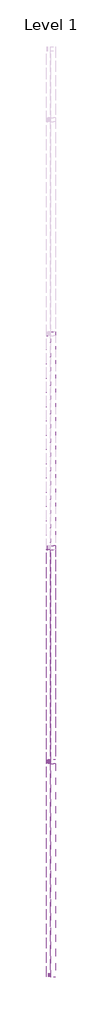
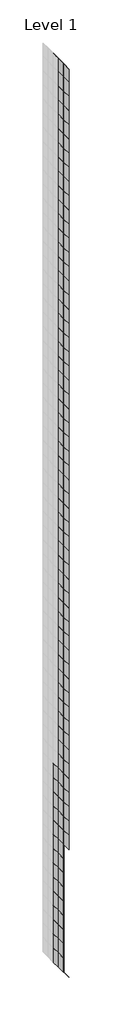
# One storey, part 17 of 29: 133 plates, 4 members.
"""IFC4 building model written with IfcOpenShell, lengths in millimetres."""

import ifcopenshell
import ifcopenshell.guid

model = None  # the IFC model being written
_history = None  # IfcOwnerHistory: only IFC2X3 demands one
_inside = {}  # id of a spatial element -> (the spatial element, [elements in it])
_under = {}  # id of a project, library or spatial element -> (it, [spatial elements below it])
_declared = {}  # id of a project -> (the project, [libraries it declares])
_typed = {}  # id of a type object -> (the type object, [elements of that type])
_made_of = {}  # id of a material, layer set ... -> (it, [elements and type objects made of it])


def new_model(schema):
    """Start an empty IFC model of exactly this schema.

    Asked for "IFC4X3", IfcOpenShell would pick the latest addendum, in which some entities
    have other attributes; the version numbers below select the first issue.
    IFC2X3 requires an IfcOwnerHistory on every rooted entity: one is made here for all.
    """
    global model, _history
    if schema == "IFC4X3":
        model = ifcopenshell.file(schema_version=(4, 3, 0, 0))
    else:
        model = ifcopenshell.file(schema=schema)
    _inside.clear()
    _under.clear()
    _declared.clear()
    _typed.clear()
    _made_of.clear()
    _history = None
    if model.schema == "IFC2X3":
        org = make("IfcOrganization", Name="unknown")
        user = make(
            "IfcPersonAndOrganization",
            ThePerson=make("IfcPerson", FamilyName="unknown"),
            TheOrganization=org,
        )
        app = make(
            "IfcApplication",
            ApplicationDeveloper=org,
            Version="unknown",
            ApplicationFullName="unknown",
            ApplicationIdentifier="unknown",
        )
        _history = make(
            "IfcOwnerHistory",
            OwningUser=user,
            OwningApplication=app,
            ChangeAction="ADDED",
            CreationDate=0,
        )
    return model


def make(cls, **values):
    """One entity of the class cls with the attributes given. An attribute that is None is left unset."""
    return model.create_entity(
        cls, **{name: value for name, value in values.items() if value is not None}
    )


def rooted(cls, **values):
    """An entity with a GlobalId (a new one), such as an element, a storey or a relation."""
    return make(cls, GlobalId=ifcopenshell.guid.new(), OwnerHistory=_history, **values)


def si_unit(unit_type, name, prefix=None):
    """IfcSIUnit, for example si_unit("LENGTHUNIT", "METRE", prefix="MILLI")."""
    return make("IfcSIUnit", UnitType=unit_type, Prefix=prefix, Name=name)


def assignment(units):
    """IfcUnitAssignment: the units of a project."""
    return None if units is None else make("IfcUnitAssignment", Units=units)


def point(xyz):
    """IfcCartesianPoint."""
    return None if xyz is None else make("IfcCartesianPoint", Coordinates=xyz)


def direction(xyz):
    """IfcDirection."""
    return None if xyz is None else make("IfcDirection", DirectionRatios=xyz)


def frame(location, z_axis=None, x_axis=None):
    """IfcAxis2Placement3D, a coordinate frame: its origin and axes. An axis left out is left unset."""
    return make(
        "IfcAxis2Placement3D",
        Location=point(location),
        Axis=direction(z_axis),
        RefDirection=direction(x_axis),
    )


def origin():
    """The frame at (0, 0, 0) with its axes left unset."""
    return frame((0.0, 0.0, 0.0))


def origin_with_axes():
    """The frame at (0, 0, 0) with the z axis (0, 0, 1) and the x axis (1, 0, 0) written out."""
    return frame((0.0, 0.0, 0.0), z_axis=(0.0, 0.0, 1.0), x_axis=(1.0, 0.0, 0.0))


def place(relative_to, where):
    """IfcLocalPlacement: puts the frame where relative to a parent placement (None: the world)."""
    return make(
        "IfcLocalPlacement", PlacementRelTo=relative_to, RelativePlacement=where
    )


def context(
    kind, dimensions, precision=None, world=None, true_north=None, identifier=None
):
    """IfcGeometricRepresentationContext, for example the 3D "Model" context."""
    return make(
        "IfcGeometricRepresentationContext",
        ContextIdentifier=identifier,
        ContextType=kind,
        CoordinateSpaceDimension=dimensions,
        Precision=precision,
        WorldCoordinateSystem=world,
        TrueNorth=true_north,
    )


def project(units=None, contexts=None):
    """IfcProject with its units and contexts."""
    return rooted(
        "IfcProject",
        Name="project",
        RepresentationContexts=contexts,
        UnitsInContext=assignment(units),
    )


def spatial(cls, under=None, at=None, **own):
    """A site, building, storey or space (cls), placed at a placement, below another one or the project."""
    s = rooted(cls, ObjectPlacement=at, **own)
    if under is not None:
        _under.setdefault(under.id(), (under, []))[1].append(s)
    return s


def polyline(points):
    """IfcPolyline through the points."""
    return make("IfcPolyline", Points=[point(p) for p in points])


def outline(outer, holes=None, kind="AREA"):
    """IfcArbitraryClosedProfileDef: a profile drawn as a closed curve; with holes, ...WithVoids."""
    if holes is None:
        return make("IfcArbitraryClosedProfileDef", ProfileType=kind, OuterCurve=outer)
    return make(
        "IfcArbitraryProfileDefWithVoids",
        ProfileType=kind,
        OuterCurve=outer,
        InnerCurves=holes,
    )


def extrude(swept, where, along, depth):
    """IfcExtrudedAreaSolid: the profile swept, set in the frame where, extruded along a direction by depth."""
    return make(
        "IfcExtrudedAreaSolid",
        SweptArea=swept,
        Position=where,
        ExtrudedDirection=direction(along),
        Depth=depth,
    )


def shape(context_of_items, identifier, shape_type, items):
    """IfcShapeRepresentation: the items that make up one representation, for example the "Body"."""
    return make(
        "IfcShapeRepresentation",
        ContextOfItems=context_of_items,
        RepresentationIdentifier=identifier,
        RepresentationType=shape_type,
        Items=items,
    )


def source(mapping_origin, context_of_items, identifier, shape_type, items):
    """IfcRepresentationMap: a shape defined once, which mapped items show again and again."""
    return make(
        "IfcRepresentationMap",
        MappingOrigin=mapping_origin,
        MappedRepresentation=shape(context_of_items, identifier, shape_type, items),
    )


def transform(
    local_origin,
    x_axis=None,
    y_axis=None,
    z_axis=None,
    scale=None,
    scale2=None,
    scale3=None,
    uniform=True,
):
    """IfcCartesianTransformationOperator3D, or its non-uniform kind. x_axis, y_axis, z_axis: its Axis1, 2, 3."""
    if uniform:
        return make(
            "IfcCartesianTransformationOperator3D",
            Axis1=direction(x_axis),
            Axis2=direction(y_axis),
            LocalOrigin=point(local_origin),
            Scale=scale,
            Axis3=direction(z_axis),
        )
    return make(
        "IfcCartesianTransformationOperator3DnonUniform",
        Axis1=direction(x_axis),
        Axis2=direction(y_axis),
        LocalOrigin=point(local_origin),
        Scale=scale,
        Axis3=direction(z_axis),
        Scale2=scale2,
        Scale3=scale3,
    )


def mapped(mapping_source, mapping_target):
    """IfcMappedItem: shows the shape of a source again, moved by a transform."""
    return make(
        "IfcMappedItem", MappingSource=mapping_source, MappingTarget=mapping_target
    )


def made_of(thing, what):
    """Note that an element or type object is made of a material, layer set ...; save() writes the relation."""
    if what is not None:
        _made_of.setdefault(what.id(), (what, []))[1].append(thing)
    return thing


def element(
    cls,
    number,
    at=None,
    inside=None,
    cuts=None,
    type_object=None,
    material=None,
    context=None,
    identifier="Body",
    shape_type=None,
    held_by="IfcProductDefinitionShape",
    body=None,
    shapes=None,
    **own,
):
    """One element of the class cls, such as IfcWall. Its Tag is "e" and its number.

    at: its placement. inside: the storey or other place that contains it. cuts: it is an
    opening in that element (IfcRelVoidsElement). A single representation is given by context,
    identifier, shape_type and body (its items); several are given by shapes. held_by: the class
    of the entity that holds the representations. save() writes the other relations.
    """
    e = rooted(cls, Tag="e%d" % number, ObjectPlacement=at, **own)
    if body is not None:
        shapes = [shape(context, identifier, shape_type, body)]
    if shapes is not None:
        e.Representation = make(held_by, Representations=shapes)
    if inside is not None:
        _inside.setdefault(inside.id(), (inside, []))[1].append(e)
    if cuts is not None:
        rooted(
            "IfcRelVoidsElement", RelatingBuildingElement=cuts, RelatedOpeningElement=e
        )
    if type_object is not None:
        _typed.setdefault(type_object.id(), (type_object, []))[1].append(e)
    return made_of(e, material)


def aggregate(whole, parts):
    """IfcRelAggregates: a whole, such as a stair, and the parts it consists of."""
    return rooted("IfcRelAggregates", RelatingObject=whole, RelatedObjects=parts)


def save(model, path):
    """Write the relations noted so far, then the file.

    IfcRelAggregates (storeys below a building ...), IfcRelContainedInSpatialStructure (elements
    in a storey), IfcRelDefinesByType, IfcRelAssociatesMaterial and IfcRelDeclares: one each for
    every whole, place, type object, material and project.
    """
    for whole, parts in _under.values():
        aggregate(whole, parts)
    for where, things in _inside.values():
        rooted(
            "IfcRelContainedInSpatialStructure",
            RelatedElements=things,
            RelatingStructure=where,
        )
    for kind, things in _typed.values():
        rooted("IfcRelDefinesByType", RelatedObjects=things, RelatingType=kind)
    for what, things in _made_of.values():
        rooted("IfcRelAssociatesMaterial", RelatedObjects=things, RelatingMaterial=what)
    for by, libraries in _declared.values():
        rooted("IfcRelDeclares", RelatingContext=by, RelatedDefinitions=libraries)
    model.write(path)


def rectangular_mullion_30mm_square_0448d2ee(model_context):
    return source(origin(), model_context, "Body", "SweptSolid", [
        extrude(outline(polyline([(0.0, 15.0), (0.0, -15.0), (-30.0, -15.0), (-30.0, 15.0), (0.0, 15.0)])), frame((0.0, 0.0, -1500.0), z_axis=(0.0, 0.0, 1.0), x_axis=(1.0, 0.0, 0.0)), (0.0, 0.0, 1.0), 1500.0),
    ])


def system_panel_glazed_328a1fc4(model_context):
    return source(origin(), model_context, "Body", "SweptSolid", [
        extrude(outline(polyline([(750.0, -49.5), (-750.0, -49.5), (-750.0, -24.5), (750.0, -24.5), (750.0, -49.5)])), origin_with_axes(), (0.0, 0.0, 1.0), 2500.0),
    ])


def system_panel_glazed_00ce7913(model_context):
    return source(origin(), model_context, "Body", "SweptSolid", [
        extrude(outline(polyline([(750.0, -49.5), (-750.0, -49.5), (-750.0, -24.5), (750.0, -24.5), (750.0, -49.5)])), origin_with_axes(), (0.0, 0.0, 1.0), 2300.0),
    ])


model = new_model("IFC4")

# Units and contexts
model_context = context("Model", 3, world=origin())
ifc_project = project(units=[si_unit("LENGTHUNIT", "METRE", prefix="MILLI")], contexts=[model_context])

# Site, building, storey
site = spatial("IfcSite", under=ifc_project)
building = spatial("IfcBuilding", under=site)
storey = spatial("IfcBuildingStorey", under=building, Name="Level 1", Elevation=0.0)

# Members
placement = place(None, origin())
rectangular_mullion_30mm_square_shape = rectangular_mullion_30mm_square_0448d2ee(model_context)
element("IfcMember", 1, ObjectType="Rectangular Mullion : 30mm Square", at=placement, inside=storey, context=model_context, shape_type="MappedRepresentation", body=[
    mapped(rectangular_mullion_30mm_square_shape, transform((-32220.0048524, 9053.1129705, 300200.0), x_axis=(0.0, 0.0, 1.0), y_axis=(-1.0, 0.0, 0.0), z_axis=(0.0, -1.0, 0.0))),
])
element("IfcMember", 2, ObjectType="Rectangular Mullion : 30mm Square", at=placement, inside=storey, context=model_context, shape_type="MappedRepresentation", body=[
    mapped(rectangular_mullion_30mm_square_shape, transform((-32220.0048524, 10553.1129705, 300200.0), x_axis=(0.0, 0.0, 1.0), y_axis=(-1.0, 0.0, 0.0), z_axis=(0.0, -1.0, 0.0))),
])
element("IfcMember", 3, ObjectType="Rectangular Mullion : 30mm Square", at=placement, inside=storey, context=model_context, shape_type="MappedRepresentation", body=[
    mapped(rectangular_mullion_30mm_square_shape, transform((-32220.0048524, 9053.1129705, 140400.0), x_axis=(0.0, 0.0, -1.0), y_axis=(-1.0, 0.0, 0.0), z_axis=(0.0, 1.0, 0.0))),
])
element("IfcMember", 4, ObjectType="Rectangular Mullion : 30mm Square", at=placement, inside=storey, context=model_context, shape_type="MappedRepresentation", body=[
    mapped(rectangular_mullion_30mm_square_shape, transform((-32220.0048524, 10553.1129705, 140400.0), x_axis=(0.0, 0.0, -1.0), y_axis=(-1.0, 0.0, 0.0), z_axis=(0.0, 1.0, 0.0))),
])

# Plates
system_panel_glazed_shape = system_panel_glazed_328a1fc4(model_context)
element("IfcPlate", 5, ObjectType="System Panel : Glazed", at=placement, inside=storey, context=model_context, shape_type="MappedRepresentation", body=[
    mapped(system_panel_glazed_shape, transform((-32220.0048524, 8303.1129705, 162900.0), x_axis=(0.0, -1.0, 0.0), y_axis=(1.0, 0.0, 0.0), z_axis=(0.0, 0.0, 1.0))),
])
element("IfcPlate", 6, ObjectType="System Panel : Glazed", at=placement, inside=storey, context=model_context, shape_type="MappedRepresentation", body=[
    mapped(system_panel_glazed_shape, transform((-32220.0048524, 8303.1129705, 165400.0), x_axis=(0.0, -1.0, 0.0), y_axis=(1.0, 0.0, 0.0), z_axis=(0.0, 0.0, 1.0))),
])
element("IfcPlate", 7, ObjectType="System Panel : Glazed", at=placement, inside=storey, context=model_context, shape_type="MappedRepresentation", body=[
    mapped(system_panel_glazed_shape, transform((-32220.0048524, 8303.1129705, 167900.0), x_axis=(0.0, -1.0, 0.0), y_axis=(1.0, 0.0, 0.0), z_axis=(0.0, 0.0, 1.0))),
])
element("IfcPlate", 8, ObjectType="System Panel : Glazed", at=placement, inside=storey, context=model_context, shape_type="MappedRepresentation", body=[
    mapped(system_panel_glazed_shape, transform((-32220.0048524, 8303.1129705, 170400.0), x_axis=(0.0, -1.0, 0.0), y_axis=(1.0, 0.0, 0.0), z_axis=(0.0, 0.0, 1.0))),
])
element("IfcPlate", 9, ObjectType="System Panel : Glazed", at=placement, inside=storey, context=model_context, shape_type="MappedRepresentation", body=[
    mapped(system_panel_glazed_shape, transform((-32220.0048524, 8303.1129705, 172900.0), x_axis=(0.0, -1.0, 0.0), y_axis=(1.0, 0.0, 0.0), z_axis=(0.0, 0.0, 1.0))),
])
element("IfcPlate", 10, ObjectType="System Panel : Glazed", at=placement, inside=storey, context=model_context, shape_type="MappedRepresentation", body=[
    mapped(system_panel_glazed_shape, transform((-32220.0048524, 8303.1129705, 175400.0), x_axis=(0.0, -1.0, 0.0), y_axis=(1.0, 0.0, 0.0), z_axis=(0.0, 0.0, 1.0))),
])
element("IfcPlate", 11, ObjectType="System Panel : Glazed", at=placement, inside=storey, context=model_context, shape_type="MappedRepresentation", body=[
    mapped(system_panel_glazed_shape, transform((-32220.0048524, 8303.1129705, 177900.0), x_axis=(0.0, -1.0, 0.0), y_axis=(1.0, 0.0, 0.0), z_axis=(0.0, 0.0, 1.0))),
])
element("IfcPlate", 12, ObjectType="System Panel : Glazed", at=placement, inside=storey, context=model_context, shape_type="MappedRepresentation", body=[
    mapped(system_panel_glazed_shape, transform((-32220.0048524, 8303.1129705, 180400.0), x_axis=(0.0, -1.0, 0.0), y_axis=(1.0, 0.0, 0.0), z_axis=(0.0, 0.0, 1.0))),
])
element("IfcPlate", 13, ObjectType="System Panel : Glazed", at=placement, inside=storey, context=model_context, shape_type="MappedRepresentation", body=[
    mapped(system_panel_glazed_shape, transform((-32220.0048524, 8303.1129705, 182900.0), x_axis=(0.0, -1.0, 0.0), y_axis=(1.0, 0.0, 0.0), z_axis=(0.0, 0.0, 1.0))),
])
element("IfcPlate", 14, ObjectType="System Panel : Glazed", at=placement, inside=storey, context=model_context, shape_type="MappedRepresentation", body=[
    mapped(system_panel_glazed_shape, transform((-32220.0048524, 8303.1129705, 185400.0), x_axis=(0.0, -1.0, 0.0), y_axis=(1.0, 0.0, 0.0), z_axis=(0.0, 0.0, 1.0))),
])
element("IfcPlate", 15, ObjectType="System Panel : Glazed", at=placement, inside=storey, context=model_context, shape_type="MappedRepresentation", body=[
    mapped(system_panel_glazed_shape, transform((-32220.0048524, 8303.1129705, 187900.0), x_axis=(0.0, -1.0, 0.0), y_axis=(1.0, 0.0, 0.0), z_axis=(0.0, 0.0, 1.0))),
])
element("IfcPlate", 16, ObjectType="System Panel : Glazed", at=placement, inside=storey, context=model_context, shape_type="MappedRepresentation", body=[
    mapped(system_panel_glazed_shape, transform((-32220.0048524, 8303.1129705, 190400.0), x_axis=(0.0, -1.0, 0.0), y_axis=(1.0, 0.0, 0.0), z_axis=(0.0, 0.0, 1.0))),
])
element("IfcPlate", 17, ObjectType="System Panel : Glazed", at=placement, inside=storey, context=model_context, shape_type="MappedRepresentation", body=[
    mapped(system_panel_glazed_shape, transform((-32220.0048524, 8303.1129705, 192900.0), x_axis=(0.0, -1.0, 0.0), y_axis=(1.0, 0.0, 0.0), z_axis=(0.0, 0.0, 1.0))),
])
element("IfcPlate", 18, ObjectType="System Panel : Glazed", at=placement, inside=storey, context=model_context, shape_type="MappedRepresentation", body=[
    mapped(system_panel_glazed_shape, transform((-32220.0048524, 8303.1129705, 195400.0), x_axis=(0.0, -1.0, 0.0), y_axis=(1.0, 0.0, 0.0), z_axis=(0.0, 0.0, 1.0))),
])
element("IfcPlate", 19, ObjectType="System Panel : Glazed", at=placement, inside=storey, context=model_context, shape_type="MappedRepresentation", body=[
    mapped(system_panel_glazed_shape, transform((-32220.0048524, 8303.1129705, 197900.0), x_axis=(0.0, -1.0, 0.0), y_axis=(1.0, 0.0, 0.0), z_axis=(0.0, 0.0, 1.0))),
])
element("IfcPlate", 20, ObjectType="System Panel : Glazed", at=placement, inside=storey, context=model_context, shape_type="MappedRepresentation", body=[
    mapped(system_panel_glazed_shape, transform((-32220.0048524, 8303.1129705, 200400.0), x_axis=(0.0, -1.0, 0.0), y_axis=(1.0, 0.0, 0.0), z_axis=(0.0, 0.0, 1.0))),
])
element("IfcPlate", 21, ObjectType="System Panel : Glazed", at=placement, inside=storey, context=model_context, shape_type="MappedRepresentation", body=[
    mapped(system_panel_glazed_shape, transform((-32220.0048524, 8303.1129705, 202900.0), x_axis=(0.0, -1.0, 0.0), y_axis=(1.0, 0.0, 0.0), z_axis=(0.0, 0.0, 1.0))),
])
element("IfcPlate", 22, ObjectType="System Panel : Glazed", at=placement, inside=storey, context=model_context, shape_type="MappedRepresentation", body=[
    mapped(system_panel_glazed_shape, transform((-32220.0048524, 8303.1129705, 205400.0), x_axis=(0.0, -1.0, 0.0), y_axis=(1.0, 0.0, 0.0), z_axis=(0.0, 0.0, 1.0))),
])
element("IfcPlate", 23, ObjectType="System Panel : Glazed", at=placement, inside=storey, context=model_context, shape_type="MappedRepresentation", body=[
    mapped(system_panel_glazed_shape, transform((-32220.0048524, 8303.1129705, 207900.0), x_axis=(0.0, -1.0, 0.0), y_axis=(1.0, 0.0, 0.0), z_axis=(0.0, 0.0, 1.0))),
])
element("IfcPlate", 24, ObjectType="System Panel : Glazed", at=placement, inside=storey, context=model_context, shape_type="MappedRepresentation", body=[
    mapped(system_panel_glazed_shape, transform((-32220.0048524, 8303.1129705, 210400.0), x_axis=(0.0, -1.0, 0.0), y_axis=(1.0, 0.0, 0.0), z_axis=(0.0, 0.0, 1.0))),
])
element("IfcPlate", 25, ObjectType="System Panel : Glazed", at=placement, inside=storey, context=model_context, shape_type="MappedRepresentation", body=[
    mapped(system_panel_glazed_shape, transform((-32220.0048524, 8303.1129705, 212900.0), x_axis=(0.0, -1.0, 0.0), y_axis=(1.0, 0.0, 0.0), z_axis=(0.0, 0.0, 1.0))),
])
element("IfcPlate", 26, ObjectType="System Panel : Glazed", at=placement, inside=storey, context=model_context, shape_type="MappedRepresentation", body=[
    mapped(system_panel_glazed_shape, transform((-32220.0048524, 8303.1129705, 215400.0), x_axis=(0.0, -1.0, 0.0), y_axis=(1.0, 0.0, 0.0), z_axis=(0.0, 0.0, 1.0))),
])
element("IfcPlate", 27, ObjectType="System Panel : Glazed", at=placement, inside=storey, context=model_context, shape_type="MappedRepresentation", body=[
    mapped(system_panel_glazed_shape, transform((-32220.0048524, 8303.1129705, 217900.0), x_axis=(0.0, -1.0, 0.0), y_axis=(1.0, 0.0, 0.0), z_axis=(0.0, 0.0, 1.0))),
])
element("IfcPlate", 28, ObjectType="System Panel : Glazed", at=placement, inside=storey, context=model_context, shape_type="MappedRepresentation", body=[
    mapped(system_panel_glazed_shape, transform((-32220.0048524, 8303.1129705, 220400.0), x_axis=(0.0, -1.0, 0.0), y_axis=(1.0, 0.0, 0.0), z_axis=(0.0, 0.0, 1.0))),
])
element("IfcPlate", 29, ObjectType="System Panel : Glazed", at=placement, inside=storey, context=model_context, shape_type="MappedRepresentation", body=[
    mapped(system_panel_glazed_shape, transform((-32220.0048524, 8303.1129705, 222900.0), x_axis=(0.0, -1.0, 0.0), y_axis=(1.0, 0.0, 0.0), z_axis=(0.0, 0.0, 1.0))),
])
element("IfcPlate", 30, ObjectType="System Panel : Glazed", at=placement, inside=storey, context=model_context, shape_type="MappedRepresentation", body=[
    mapped(system_panel_glazed_shape, transform((-32220.0048524, 8303.1129705, 225400.0), x_axis=(0.0, -1.0, 0.0), y_axis=(1.0, 0.0, 0.0), z_axis=(0.0, 0.0, 1.0))),
])
element("IfcPlate", 31, ObjectType="System Panel : Glazed", at=placement, inside=storey, context=model_context, shape_type="MappedRepresentation", body=[
    mapped(system_panel_glazed_shape, transform((-32220.0048524, 8303.1129705, 227900.0), x_axis=(0.0, -1.0, 0.0), y_axis=(1.0, 0.0, 0.0), z_axis=(0.0, 0.0, 1.0))),
])
element("IfcPlate", 32, ObjectType="System Panel : Glazed", at=placement, inside=storey, context=model_context, shape_type="MappedRepresentation", body=[
    mapped(system_panel_glazed_shape, transform((-32220.0048524, 8303.1129705, 230400.0), x_axis=(0.0, -1.0, 0.0), y_axis=(1.0, 0.0, 0.0), z_axis=(0.0, 0.0, 1.0))),
])
element("IfcPlate", 33, ObjectType="System Panel : Glazed", at=placement, inside=storey, context=model_context, shape_type="MappedRepresentation", body=[
    mapped(system_panel_glazed_shape, transform((-32220.0048524, 8303.1129705, 232900.0), x_axis=(0.0, -1.0, 0.0), y_axis=(1.0, 0.0, 0.0), z_axis=(0.0, 0.0, 1.0))),
])
element("IfcPlate", 34, ObjectType="System Panel : Glazed", at=placement, inside=storey, context=model_context, shape_type="MappedRepresentation", body=[
    mapped(system_panel_glazed_shape, transform((-32220.0048524, 8303.1129705, 235400.0), x_axis=(0.0, -1.0, 0.0), y_axis=(1.0, 0.0, 0.0), z_axis=(0.0, 0.0, 1.0))),
])
element("IfcPlate", 35, ObjectType="System Panel : Glazed", at=placement, inside=storey, context=model_context, shape_type="MappedRepresentation", body=[
    mapped(system_panel_glazed_shape, transform((-32220.0048524, 8303.1129705, 237900.0), x_axis=(0.0, -1.0, 0.0), y_axis=(1.0, 0.0, 0.0), z_axis=(0.0, 0.0, 1.0))),
])
element("IfcPlate", 36, ObjectType="System Panel : Glazed", at=placement, inside=storey, context=model_context, shape_type="MappedRepresentation", body=[
    mapped(system_panel_glazed_shape, transform((-32220.0048524, 8303.1129705, 240400.0), x_axis=(0.0, -1.0, 0.0), y_axis=(1.0, 0.0, 0.0), z_axis=(0.0, 0.0, 1.0))),
])
element("IfcPlate", 37, ObjectType="System Panel : Glazed", at=placement, inside=storey, context=model_context, shape_type="MappedRepresentation", body=[
    mapped(system_panel_glazed_shape, transform((-32220.0048524, 8303.1129705, 242900.0), x_axis=(0.0, -1.0, 0.0), y_axis=(1.0, 0.0, 0.0), z_axis=(0.0, 0.0, 1.0))),
])
element("IfcPlate", 38, ObjectType="System Panel : Glazed", at=placement, inside=storey, context=model_context, shape_type="MappedRepresentation", body=[
    mapped(system_panel_glazed_shape, transform((-32220.0048524, 8303.1129705, 245400.0), x_axis=(0.0, -1.0, 0.0), y_axis=(1.0, 0.0, 0.0), z_axis=(0.0, 0.0, 1.0))),
])
element("IfcPlate", 39, ObjectType="System Panel : Glazed", at=placement, inside=storey, context=model_context, shape_type="MappedRepresentation", body=[
    mapped(system_panel_glazed_shape, transform((-32220.0048524, 8303.1129705, 247900.0), x_axis=(0.0, -1.0, 0.0), y_axis=(1.0, 0.0, 0.0), z_axis=(0.0, 0.0, 1.0))),
])
element("IfcPlate", 40, ObjectType="System Panel : Glazed", at=placement, inside=storey, context=model_context, shape_type="MappedRepresentation", body=[
    mapped(system_panel_glazed_shape, transform((-32220.0048524, 8303.1129705, 250400.0), x_axis=(0.0, -1.0, 0.0), y_axis=(1.0, 0.0, 0.0), z_axis=(0.0, 0.0, 1.0))),
])
element("IfcPlate", 41, ObjectType="System Panel : Glazed", at=placement, inside=storey, context=model_context, shape_type="MappedRepresentation", body=[
    mapped(system_panel_glazed_shape, transform((-32220.0048524, 8303.1129705, 252900.0), x_axis=(0.0, -1.0, 0.0), y_axis=(1.0, 0.0, 0.0), z_axis=(0.0, 0.0, 1.0))),
])
element("IfcPlate", 42, ObjectType="System Panel : Glazed", at=placement, inside=storey, context=model_context, shape_type="MappedRepresentation", body=[
    mapped(system_panel_glazed_shape, transform((-32220.0048524, 9803.1129705, 140400.0), x_axis=(0.0, -1.0, 0.0), y_axis=(1.0, 0.0, 0.0), z_axis=(0.0, 0.0, 1.0))),
])
element("IfcPlate", 43, ObjectType="System Panel : Glazed", at=placement, inside=storey, context=model_context, shape_type="MappedRepresentation", body=[
    mapped(system_panel_glazed_shape, transform((-32220.0048524, 9803.1129705, 142900.0), x_axis=(0.0, -1.0, 0.0), y_axis=(1.0, 0.0, 0.0), z_axis=(0.0, 0.0, 1.0))),
])
element("IfcPlate", 44, ObjectType="System Panel : Glazed", at=placement, inside=storey, context=model_context, shape_type="MappedRepresentation", body=[
    mapped(system_panel_glazed_shape, transform((-32220.0048524, 9803.1129705, 145400.0), x_axis=(0.0, -1.0, 0.0), y_axis=(1.0, 0.0, 0.0), z_axis=(0.0, 0.0, 1.0))),
])
element("IfcPlate", 45, ObjectType="System Panel : Glazed", at=placement, inside=storey, context=model_context, shape_type="MappedRepresentation", body=[
    mapped(system_panel_glazed_shape, transform((-32220.0048524, 9803.1129705, 147900.0), x_axis=(0.0, -1.0, 0.0), y_axis=(1.0, 0.0, 0.0), z_axis=(0.0, 0.0, 1.0))),
])
element("IfcPlate", 46, ObjectType="System Panel : Glazed", at=placement, inside=storey, context=model_context, shape_type="MappedRepresentation", body=[
    mapped(system_panel_glazed_shape, transform((-32220.0048524, 9803.1129705, 150400.0), x_axis=(0.0, -1.0, 0.0), y_axis=(1.0, 0.0, 0.0), z_axis=(0.0, 0.0, 1.0))),
])
element("IfcPlate", 47, ObjectType="System Panel : Glazed", at=placement, inside=storey, context=model_context, shape_type="MappedRepresentation", body=[
    mapped(system_panel_glazed_shape, transform((-32220.0048524, 9803.1129705, 152900.0), x_axis=(0.0, -1.0, 0.0), y_axis=(1.0, 0.0, 0.0), z_axis=(0.0, 0.0, 1.0))),
])
element("IfcPlate", 48, ObjectType="System Panel : Glazed", at=placement, inside=storey, context=model_context, shape_type="MappedRepresentation", body=[
    mapped(system_panel_glazed_shape, transform((-32220.0048524, 9803.1129705, 155400.0), x_axis=(0.0, -1.0, 0.0), y_axis=(1.0, 0.0, 0.0), z_axis=(0.0, 0.0, 1.0))),
])
element("IfcPlate", 49, ObjectType="System Panel : Glazed", at=placement, inside=storey, context=model_context, shape_type="MappedRepresentation", body=[
    mapped(system_panel_glazed_shape, transform((-32220.0048524, 9803.1129705, 157900.0), x_axis=(0.0, -1.0, 0.0), y_axis=(1.0, 0.0, 0.0), z_axis=(0.0, 0.0, 1.0))),
])
element("IfcPlate", 50, ObjectType="System Panel : Glazed", at=placement, inside=storey, context=model_context, shape_type="MappedRepresentation", body=[
    mapped(system_panel_glazed_shape, transform((-32220.0048524, 9803.1129705, 160400.0), x_axis=(0.0, -1.0, 0.0), y_axis=(1.0, 0.0, 0.0), z_axis=(0.0, 0.0, 1.0))),
])
element("IfcPlate", 51, ObjectType="System Panel : Glazed", at=placement, inside=storey, context=model_context, shape_type="MappedRepresentation", body=[
    mapped(system_panel_glazed_shape, transform((-32220.0048524, 9803.1129705, 162900.0), x_axis=(0.0, -1.0, 0.0), y_axis=(1.0, 0.0, 0.0), z_axis=(0.0, 0.0, 1.0))),
])
element("IfcPlate", 52, ObjectType="System Panel : Glazed", at=placement, inside=storey, context=model_context, shape_type="MappedRepresentation", body=[
    mapped(system_panel_glazed_shape, transform((-32220.0048524, 9803.1129705, 165400.0), x_axis=(0.0, -1.0, 0.0), y_axis=(1.0, 0.0, 0.0), z_axis=(0.0, 0.0, 1.0))),
])
element("IfcPlate", 53, ObjectType="System Panel : Glazed", at=placement, inside=storey, context=model_context, shape_type="MappedRepresentation", body=[
    mapped(system_panel_glazed_shape, transform((-32220.0048524, 9803.1129705, 167900.0), x_axis=(0.0, -1.0, 0.0), y_axis=(1.0, 0.0, 0.0), z_axis=(0.0, 0.0, 1.0))),
])
element("IfcPlate", 54, ObjectType="System Panel : Glazed", at=placement, inside=storey, context=model_context, shape_type="MappedRepresentation", body=[
    mapped(system_panel_glazed_shape, transform((-32220.0048524, 9803.1129705, 170400.0), x_axis=(0.0, -1.0, 0.0), y_axis=(1.0, 0.0, 0.0), z_axis=(0.0, 0.0, 1.0))),
])
element("IfcPlate", 55, ObjectType="System Panel : Glazed", at=placement, inside=storey, context=model_context, shape_type="MappedRepresentation", body=[
    mapped(system_panel_glazed_shape, transform((-32220.0048524, 9803.1129705, 172900.0), x_axis=(0.0, -1.0, 0.0), y_axis=(1.0, 0.0, 0.0), z_axis=(0.0, 0.0, 1.0))),
])
element("IfcPlate", 56, ObjectType="System Panel : Glazed", at=placement, inside=storey, context=model_context, shape_type="MappedRepresentation", body=[
    mapped(system_panel_glazed_shape, transform((-32220.0048524, 9803.1129705, 175400.0), x_axis=(0.0, -1.0, 0.0), y_axis=(1.0, 0.0, 0.0), z_axis=(0.0, 0.0, 1.0))),
])
element("IfcPlate", 57, ObjectType="System Panel : Glazed", at=placement, inside=storey, context=model_context, shape_type="MappedRepresentation", body=[
    mapped(system_panel_glazed_shape, transform((-32220.0048524, 9803.1129705, 177900.0), x_axis=(0.0, -1.0, 0.0), y_axis=(1.0, 0.0, 0.0), z_axis=(0.0, 0.0, 1.0))),
])
element("IfcPlate", 58, ObjectType="System Panel : Glazed", at=placement, inside=storey, context=model_context, shape_type="MappedRepresentation", body=[
    mapped(system_panel_glazed_shape, transform((-32220.0048524, 9803.1129705, 180400.0), x_axis=(0.0, -1.0, 0.0), y_axis=(1.0, 0.0, 0.0), z_axis=(0.0, 0.0, 1.0))),
])
element("IfcPlate", 59, ObjectType="System Panel : Glazed", at=placement, inside=storey, context=model_context, shape_type="MappedRepresentation", body=[
    mapped(system_panel_glazed_shape, transform((-32220.0048524, 9803.1129705, 182900.0), x_axis=(0.0, -1.0, 0.0), y_axis=(1.0, 0.0, 0.0), z_axis=(0.0, 0.0, 1.0))),
])
element("IfcPlate", 60, ObjectType="System Panel : Glazed", at=placement, inside=storey, context=model_context, shape_type="MappedRepresentation", body=[
    mapped(system_panel_glazed_shape, transform((-32220.0048524, 9803.1129705, 185400.0), x_axis=(0.0, -1.0, 0.0), y_axis=(1.0, 0.0, 0.0), z_axis=(0.0, 0.0, 1.0))),
])
element("IfcPlate", 61, ObjectType="System Panel : Glazed", at=placement, inside=storey, context=model_context, shape_type="MappedRepresentation", body=[
    mapped(system_panel_glazed_shape, transform((-32220.0048524, 9803.1129705, 187900.0), x_axis=(0.0, -1.0, 0.0), y_axis=(1.0, 0.0, 0.0), z_axis=(0.0, 0.0, 1.0))),
])
element("IfcPlate", 62, ObjectType="System Panel : Glazed", at=placement, inside=storey, context=model_context, shape_type="MappedRepresentation", body=[
    mapped(system_panel_glazed_shape, transform((-32220.0048524, 9803.1129705, 190400.0), x_axis=(0.0, -1.0, 0.0), y_axis=(1.0, 0.0, 0.0), z_axis=(0.0, 0.0, 1.0))),
])
element("IfcPlate", 63, ObjectType="System Panel : Glazed", at=placement, inside=storey, context=model_context, shape_type="MappedRepresentation", body=[
    mapped(system_panel_glazed_shape, transform((-32220.0048524, 9803.1129705, 192900.0), x_axis=(0.0, -1.0, 0.0), y_axis=(1.0, 0.0, 0.0), z_axis=(0.0, 0.0, 1.0))),
])
element("IfcPlate", 64, ObjectType="System Panel : Glazed", at=placement, inside=storey, context=model_context, shape_type="MappedRepresentation", body=[
    mapped(system_panel_glazed_shape, transform((-32220.0048524, 9803.1129705, 195400.0), x_axis=(0.0, -1.0, 0.0), y_axis=(1.0, 0.0, 0.0), z_axis=(0.0, 0.0, 1.0))),
])
element("IfcPlate", 65, ObjectType="System Panel : Glazed", at=placement, inside=storey, context=model_context, shape_type="MappedRepresentation", body=[
    mapped(system_panel_glazed_shape, transform((-32220.0048524, 9803.1129705, 197900.0), x_axis=(0.0, -1.0, 0.0), y_axis=(1.0, 0.0, 0.0), z_axis=(0.0, 0.0, 1.0))),
])
element("IfcPlate", 66, ObjectType="System Panel : Glazed", at=placement, inside=storey, context=model_context, shape_type="MappedRepresentation", body=[
    mapped(system_panel_glazed_shape, transform((-32220.0048524, 9803.1129705, 200400.0), x_axis=(0.0, -1.0, 0.0), y_axis=(1.0, 0.0, 0.0), z_axis=(0.0, 0.0, 1.0))),
])
element("IfcPlate", 67, ObjectType="System Panel : Glazed", at=placement, inside=storey, context=model_context, shape_type="MappedRepresentation", body=[
    mapped(system_panel_glazed_shape, transform((-32220.0048524, 9803.1129705, 202900.0), x_axis=(0.0, -1.0, 0.0), y_axis=(1.0, 0.0, 0.0), z_axis=(0.0, 0.0, 1.0))),
])
element("IfcPlate", 68, ObjectType="System Panel : Glazed", at=placement, inside=storey, context=model_context, shape_type="MappedRepresentation", body=[
    mapped(system_panel_glazed_shape, transform((-32220.0048524, 9803.1129705, 205400.0), x_axis=(0.0, -1.0, 0.0), y_axis=(1.0, 0.0, 0.0), z_axis=(0.0, 0.0, 1.0))),
])
element("IfcPlate", 69, ObjectType="System Panel : Glazed", at=placement, inside=storey, context=model_context, shape_type="MappedRepresentation", body=[
    mapped(system_panel_glazed_shape, transform((-32220.0048524, 9803.1129705, 207900.0), x_axis=(0.0, -1.0, 0.0), y_axis=(1.0, 0.0, 0.0), z_axis=(0.0, 0.0, 1.0))),
])
element("IfcPlate", 70, ObjectType="System Panel : Glazed", at=placement, inside=storey, context=model_context, shape_type="MappedRepresentation", body=[
    mapped(system_panel_glazed_shape, transform((-32220.0048524, 9803.1129705, 210400.0), x_axis=(0.0, -1.0, 0.0), y_axis=(1.0, 0.0, 0.0), z_axis=(0.0, 0.0, 1.0))),
])
element("IfcPlate", 71, ObjectType="System Panel : Glazed", at=placement, inside=storey, context=model_context, shape_type="MappedRepresentation", body=[
    mapped(system_panel_glazed_shape, transform((-32220.0048524, 9803.1129705, 212900.0), x_axis=(0.0, -1.0, 0.0), y_axis=(1.0, 0.0, 0.0), z_axis=(0.0, 0.0, 1.0))),
])
element("IfcPlate", 72, ObjectType="System Panel : Glazed", at=placement, inside=storey, context=model_context, shape_type="MappedRepresentation", body=[
    mapped(system_panel_glazed_shape, transform((-32220.0048524, 9803.1129705, 215400.0), x_axis=(0.0, -1.0, 0.0), y_axis=(1.0, 0.0, 0.0), z_axis=(0.0, 0.0, 1.0))),
])
element("IfcPlate", 73, ObjectType="System Panel : Glazed", at=placement, inside=storey, context=model_context, shape_type="MappedRepresentation", body=[
    mapped(system_panel_glazed_shape, transform((-32220.0048524, 9803.1129705, 217900.0), x_axis=(0.0, -1.0, 0.0), y_axis=(1.0, 0.0, 0.0), z_axis=(0.0, 0.0, 1.0))),
])
element("IfcPlate", 74, ObjectType="System Panel : Glazed", at=placement, inside=storey, context=model_context, shape_type="MappedRepresentation", body=[
    mapped(system_panel_glazed_shape, transform((-32220.0048524, 9803.1129705, 220400.0), x_axis=(0.0, -1.0, 0.0), y_axis=(1.0, 0.0, 0.0), z_axis=(0.0, 0.0, 1.0))),
])
element("IfcPlate", 75, ObjectType="System Panel : Glazed", at=placement, inside=storey, context=model_context, shape_type="MappedRepresentation", body=[
    mapped(system_panel_glazed_shape, transform((-32220.0048524, 9803.1129705, 222900.0), x_axis=(0.0, -1.0, 0.0), y_axis=(1.0, 0.0, 0.0), z_axis=(0.0, 0.0, 1.0))),
])
element("IfcPlate", 76, ObjectType="System Panel : Glazed", at=placement, inside=storey, context=model_context, shape_type="MappedRepresentation", body=[
    mapped(system_panel_glazed_shape, transform((-32220.0048524, 9803.1129705, 225400.0), x_axis=(0.0, -1.0, 0.0), y_axis=(1.0, 0.0, 0.0), z_axis=(0.0, 0.0, 1.0))),
])
element("IfcPlate", 77, ObjectType="System Panel : Glazed", at=placement, inside=storey, context=model_context, shape_type="MappedRepresentation", body=[
    mapped(system_panel_glazed_shape, transform((-32220.0048524, 9803.1129705, 227900.0), x_axis=(0.0, -1.0, 0.0), y_axis=(1.0, 0.0, 0.0), z_axis=(0.0, 0.0, 1.0))),
])
element("IfcPlate", 78, ObjectType="System Panel : Glazed", at=placement, inside=storey, context=model_context, shape_type="MappedRepresentation", body=[
    mapped(system_panel_glazed_shape, transform((-32220.0048524, 9803.1129705, 230400.0), x_axis=(0.0, -1.0, 0.0), y_axis=(1.0, 0.0, 0.0), z_axis=(0.0, 0.0, 1.0))),
])
element("IfcPlate", 79, ObjectType="System Panel : Glazed", at=placement, inside=storey, context=model_context, shape_type="MappedRepresentation", body=[
    mapped(system_panel_glazed_shape, transform((-32220.0048524, 9803.1129705, 232900.0), x_axis=(0.0, -1.0, 0.0), y_axis=(1.0, 0.0, 0.0), z_axis=(0.0, 0.0, 1.0))),
])
element("IfcPlate", 80, ObjectType="System Panel : Glazed", at=placement, inside=storey, context=model_context, shape_type="MappedRepresentation", body=[
    mapped(system_panel_glazed_shape, transform((-32220.0048524, 9803.1129705, 235400.0), x_axis=(0.0, -1.0, 0.0), y_axis=(1.0, 0.0, 0.0), z_axis=(0.0, 0.0, 1.0))),
])
element("IfcPlate", 81, ObjectType="System Panel : Glazed", at=placement, inside=storey, context=model_context, shape_type="MappedRepresentation", body=[
    mapped(system_panel_glazed_shape, transform((-32220.0048524, 9803.1129705, 237900.0), x_axis=(0.0, -1.0, 0.0), y_axis=(1.0, 0.0, 0.0), z_axis=(0.0, 0.0, 1.0))),
])
element("IfcPlate", 82, ObjectType="System Panel : Glazed", at=placement, inside=storey, context=model_context, shape_type="MappedRepresentation", body=[
    mapped(system_panel_glazed_shape, transform((-32220.0048524, 9803.1129705, 240400.0), x_axis=(0.0, -1.0, 0.0), y_axis=(1.0, 0.0, 0.0), z_axis=(0.0, 0.0, 1.0))),
])
element("IfcPlate", 83, ObjectType="System Panel : Glazed", at=placement, inside=storey, context=model_context, shape_type="MappedRepresentation", body=[
    mapped(system_panel_glazed_shape, transform((-32220.0048524, 9803.1129705, 242900.0), x_axis=(0.0, -1.0, 0.0), y_axis=(1.0, 0.0, 0.0), z_axis=(0.0, 0.0, 1.0))),
])
element("IfcPlate", 84, ObjectType="System Panel : Glazed", at=placement, inside=storey, context=model_context, shape_type="MappedRepresentation", body=[
    mapped(system_panel_glazed_shape, transform((-32220.0048524, 9803.1129705, 245400.0), x_axis=(0.0, -1.0, 0.0), y_axis=(1.0, 0.0, 0.0), z_axis=(0.0, 0.0, 1.0))),
])
element("IfcPlate", 85, ObjectType="System Panel : Glazed", at=placement, inside=storey, context=model_context, shape_type="MappedRepresentation", body=[
    mapped(system_panel_glazed_shape, transform((-32220.0048524, 9803.1129705, 247900.0), x_axis=(0.0, -1.0, 0.0), y_axis=(1.0, 0.0, 0.0), z_axis=(0.0, 0.0, 1.0))),
])
element("IfcPlate", 86, ObjectType="System Panel : Glazed", at=placement, inside=storey, context=model_context, shape_type="MappedRepresentation", body=[
    mapped(system_panel_glazed_shape, transform((-32220.0048524, 9803.1129705, 250400.0), x_axis=(0.0, -1.0, 0.0), y_axis=(1.0, 0.0, 0.0), z_axis=(0.0, 0.0, 1.0))),
])
element("IfcPlate", 87, ObjectType="System Panel : Glazed", at=placement, inside=storey, context=model_context, shape_type="MappedRepresentation", body=[
    mapped(system_panel_glazed_shape, transform((-32220.0048524, 9803.1129705, 252900.0), x_axis=(0.0, -1.0, 0.0), y_axis=(1.0, 0.0, 0.0), z_axis=(0.0, 0.0, 1.0))),
])
element("IfcPlate", 88, ObjectType="System Panel : Glazed", at=placement, inside=storey, context=model_context, shape_type="MappedRepresentation", body=[
    mapped(system_panel_glazed_shape, transform((-32220.0048524, 11303.1129705, 140400.0), x_axis=(0.0, -1.0, 0.0), y_axis=(1.0, 0.0, 0.0), z_axis=(0.0, 0.0, 1.0))),
])
element("IfcPlate", 89, ObjectType="System Panel : Glazed", at=placement, inside=storey, context=model_context, shape_type="MappedRepresentation", body=[
    mapped(system_panel_glazed_shape, transform((-32220.0048524, 11303.1129705, 142900.0), x_axis=(0.0, -1.0, 0.0), y_axis=(1.0, 0.0, 0.0), z_axis=(0.0, 0.0, 1.0))),
])
element("IfcPlate", 90, ObjectType="System Panel : Glazed", at=placement, inside=storey, context=model_context, shape_type="MappedRepresentation", body=[
    mapped(system_panel_glazed_shape, transform((-32220.0048524, 11303.1129705, 145400.0), x_axis=(0.0, -1.0, 0.0), y_axis=(1.0, 0.0, 0.0), z_axis=(0.0, 0.0, 1.0))),
])
element("IfcPlate", 91, ObjectType="System Panel : Glazed", at=placement, inside=storey, context=model_context, shape_type="MappedRepresentation", body=[
    mapped(system_panel_glazed_shape, transform((-32220.0048524, 11303.1129705, 147900.0), x_axis=(0.0, -1.0, 0.0), y_axis=(1.0, 0.0, 0.0), z_axis=(0.0, 0.0, 1.0))),
])
element("IfcPlate", 92, ObjectType="System Panel : Glazed", at=placement, inside=storey, context=model_context, shape_type="MappedRepresentation", body=[
    mapped(system_panel_glazed_shape, transform((-32220.0048524, 11303.1129705, 150400.0), x_axis=(0.0, -1.0, 0.0), y_axis=(1.0, 0.0, 0.0), z_axis=(0.0, 0.0, 1.0))),
])
element("IfcPlate", 93, ObjectType="System Panel : Glazed", at=placement, inside=storey, context=model_context, shape_type="MappedRepresentation", body=[
    mapped(system_panel_glazed_shape, transform((-32220.0048524, 11303.1129705, 152900.0), x_axis=(0.0, -1.0, 0.0), y_axis=(1.0, 0.0, 0.0), z_axis=(0.0, 0.0, 1.0))),
])
element("IfcPlate", 94, ObjectType="System Panel : Glazed", at=placement, inside=storey, context=model_context, shape_type="MappedRepresentation", body=[
    mapped(system_panel_glazed_shape, transform((-32220.0048524, 11303.1129705, 155400.0), x_axis=(0.0, -1.0, 0.0), y_axis=(1.0, 0.0, 0.0), z_axis=(0.0, 0.0, 1.0))),
])
element("IfcPlate", 95, ObjectType="System Panel : Glazed", at=placement, inside=storey, context=model_context, shape_type="MappedRepresentation", body=[
    mapped(system_panel_glazed_shape, transform((-32220.0048524, 11303.1129705, 157900.0), x_axis=(0.0, -1.0, 0.0), y_axis=(1.0, 0.0, 0.0), z_axis=(0.0, 0.0, 1.0))),
])
element("IfcPlate", 96, ObjectType="System Panel : Glazed", at=placement, inside=storey, context=model_context, shape_type="MappedRepresentation", body=[
    mapped(system_panel_glazed_shape, transform((-32220.0048524, 11303.1129705, 160400.0), x_axis=(0.0, -1.0, 0.0), y_axis=(1.0, 0.0, 0.0), z_axis=(0.0, 0.0, 1.0))),
])
element("IfcPlate", 97, ObjectType="System Panel : Glazed", at=placement, inside=storey, context=model_context, shape_type="MappedRepresentation", body=[
    mapped(system_panel_glazed_shape, transform((-32220.0048524, 11303.1129705, 162900.0), x_axis=(0.0, -1.0, 0.0), y_axis=(1.0, 0.0, 0.0), z_axis=(0.0, 0.0, 1.0))),
])
element("IfcPlate", 98, ObjectType="System Panel : Glazed", at=placement, inside=storey, context=model_context, shape_type="MappedRepresentation", body=[
    mapped(system_panel_glazed_shape, transform((-32220.0048524, 11303.1129705, 165400.0), x_axis=(0.0, -1.0, 0.0), y_axis=(1.0, 0.0, 0.0), z_axis=(0.0, 0.0, 1.0))),
])
element("IfcPlate", 99, ObjectType="System Panel : Glazed", at=placement, inside=storey, context=model_context, shape_type="MappedRepresentation", body=[
    mapped(system_panel_glazed_shape, transform((-32220.0048524, 11303.1129705, 167900.0), x_axis=(0.0, -1.0, 0.0), y_axis=(1.0, 0.0, 0.0), z_axis=(0.0, 0.0, 1.0))),
])
element("IfcPlate", 100, ObjectType="System Panel : Glazed", at=placement, inside=storey, context=model_context, shape_type="MappedRepresentation", body=[
    mapped(system_panel_glazed_shape, transform((-32220.0048524, 11303.1129705, 170400.0), x_axis=(0.0, -1.0, 0.0), y_axis=(1.0, 0.0, 0.0), z_axis=(0.0, 0.0, 1.0))),
])
element("IfcPlate", 101, ObjectType="System Panel : Glazed", at=placement, inside=storey, context=model_context, shape_type="MappedRepresentation", body=[
    mapped(system_panel_glazed_shape, transform((-32220.0048524, 11303.1129705, 172900.0), x_axis=(0.0, -1.0, 0.0), y_axis=(1.0, 0.0, 0.0), z_axis=(0.0, 0.0, 1.0))),
])
element("IfcPlate", 102, ObjectType="System Panel : Glazed", at=placement, inside=storey, context=model_context, shape_type="MappedRepresentation", body=[
    mapped(system_panel_glazed_shape, transform((-32220.0048524, 9803.1129705, 255400.0), x_axis=(0.0, -1.0, 0.0), y_axis=(1.0, 0.0, 0.0), z_axis=(0.0, 0.0, 1.0))),
])
element("IfcPlate", 103, ObjectType="System Panel : Glazed", at=placement, inside=storey, context=model_context, shape_type="MappedRepresentation", body=[
    mapped(system_panel_glazed_shape, transform((-32220.0048524, 8303.1129705, 255400.0), x_axis=(0.0, -1.0, 0.0), y_axis=(1.0, 0.0, 0.0), z_axis=(0.0, 0.0, 1.0))),
])
element("IfcPlate", 104, ObjectType="System Panel : Glazed", at=placement, inside=storey, context=model_context, shape_type="MappedRepresentation", body=[
    mapped(system_panel_glazed_shape, transform((-32220.0048524, 9803.1129705, 257900.0), x_axis=(0.0, -1.0, 0.0), y_axis=(1.0, 0.0, 0.0), z_axis=(0.0, 0.0, 1.0))),
])
element("IfcPlate", 105, ObjectType="System Panel : Glazed", at=placement, inside=storey, context=model_context, shape_type="MappedRepresentation", body=[
    mapped(system_panel_glazed_shape, transform((-32220.0048524, 8303.1129705, 257900.0), x_axis=(0.0, -1.0, 0.0), y_axis=(1.0, 0.0, 0.0), z_axis=(0.0, 0.0, 1.0))),
])
element("IfcPlate", 106, ObjectType="System Panel : Glazed", at=placement, inside=storey, context=model_context, shape_type="MappedRepresentation", body=[
    mapped(system_panel_glazed_shape, transform((-32220.0048524, 9803.1129705, 260400.0), x_axis=(0.0, -1.0, 0.0), y_axis=(1.0, 0.0, 0.0), z_axis=(0.0, 0.0, 1.0))),
])
element("IfcPlate", 107, ObjectType="System Panel : Glazed", at=placement, inside=storey, context=model_context, shape_type="MappedRepresentation", body=[
    mapped(system_panel_glazed_shape, transform((-32220.0048524, 8303.1129705, 260400.0), x_axis=(0.0, -1.0, 0.0), y_axis=(1.0, 0.0, 0.0), z_axis=(0.0, 0.0, 1.0))),
])
element("IfcPlate", 108, ObjectType="System Panel : Glazed", at=placement, inside=storey, context=model_context, shape_type="MappedRepresentation", body=[
    mapped(system_panel_glazed_shape, transform((-32220.0048524, 9803.1129705, 262900.0), x_axis=(0.0, -1.0, 0.0), y_axis=(1.0, 0.0, 0.0), z_axis=(0.0, 0.0, 1.0))),
])
element("IfcPlate", 109, ObjectType="System Panel : Glazed", at=placement, inside=storey, context=model_context, shape_type="MappedRepresentation", body=[
    mapped(system_panel_glazed_shape, transform((-32220.0048524, 8303.1129705, 262900.0), x_axis=(0.0, -1.0, 0.0), y_axis=(1.0, 0.0, 0.0), z_axis=(0.0, 0.0, 1.0))),
])
element("IfcPlate", 110, ObjectType="System Panel : Glazed", at=placement, inside=storey, context=model_context, shape_type="MappedRepresentation", body=[
    mapped(system_panel_glazed_shape, transform((-32220.0048524, 9803.1129705, 265400.0), x_axis=(0.0, -1.0, 0.0), y_axis=(1.0, 0.0, 0.0), z_axis=(0.0, 0.0, 1.0))),
])
element("IfcPlate", 111, ObjectType="System Panel : Glazed", at=placement, inside=storey, context=model_context, shape_type="MappedRepresentation", body=[
    mapped(system_panel_glazed_shape, transform((-32220.0048524, 8303.1129705, 265400.0), x_axis=(0.0, -1.0, 0.0), y_axis=(1.0, 0.0, 0.0), z_axis=(0.0, 0.0, 1.0))),
])
element("IfcPlate", 112, ObjectType="System Panel : Glazed", at=placement, inside=storey, context=model_context, shape_type="MappedRepresentation", body=[
    mapped(system_panel_glazed_shape, transform((-32220.0048524, 9803.1129705, 267900.0), x_axis=(0.0, -1.0, 0.0), y_axis=(1.0, 0.0, 0.0), z_axis=(0.0, 0.0, 1.0))),
])
element("IfcPlate", 113, ObjectType="System Panel : Glazed", at=placement, inside=storey, context=model_context, shape_type="MappedRepresentation", body=[
    mapped(system_panel_glazed_shape, transform((-32220.0048524, 8303.1129705, 267900.0), x_axis=(0.0, -1.0, 0.0), y_axis=(1.0, 0.0, 0.0), z_axis=(0.0, 0.0, 1.0))),
])
element("IfcPlate", 114, ObjectType="System Panel : Glazed", at=placement, inside=storey, context=model_context, shape_type="MappedRepresentation", body=[
    mapped(system_panel_glazed_shape, transform((-32220.0048524, 9803.1129705, 270400.0), x_axis=(0.0, -1.0, 0.0), y_axis=(1.0, 0.0, 0.0), z_axis=(0.0, 0.0, 1.0))),
])
element("IfcPlate", 115, ObjectType="System Panel : Glazed", at=placement, inside=storey, context=model_context, shape_type="MappedRepresentation", body=[
    mapped(system_panel_glazed_shape, transform((-32220.0048524, 8303.1129705, 270400.0), x_axis=(0.0, -1.0, 0.0), y_axis=(1.0, 0.0, 0.0), z_axis=(0.0, 0.0, 1.0))),
])
element("IfcPlate", 116, ObjectType="System Panel : Glazed", at=placement, inside=storey, context=model_context, shape_type="MappedRepresentation", body=[
    mapped(system_panel_glazed_shape, transform((-32220.0048524, 9803.1129705, 272900.0), x_axis=(0.0, -1.0, 0.0), y_axis=(1.0, 0.0, 0.0), z_axis=(0.0, 0.0, 1.0))),
])
element("IfcPlate", 117, ObjectType="System Panel : Glazed", at=placement, inside=storey, context=model_context, shape_type="MappedRepresentation", body=[
    mapped(system_panel_glazed_shape, transform((-32220.0048524, 8303.1129705, 272900.0), x_axis=(0.0, -1.0, 0.0), y_axis=(1.0, 0.0, 0.0), z_axis=(0.0, 0.0, 1.0))),
])
element("IfcPlate", 118, ObjectType="System Panel : Glazed", at=placement, inside=storey, context=model_context, shape_type="MappedRepresentation", body=[
    mapped(system_panel_glazed_shape, transform((-32220.0048524, 9803.1129705, 275400.0), x_axis=(0.0, -1.0, 0.0), y_axis=(1.0, 0.0, 0.0), z_axis=(0.0, 0.0, 1.0))),
])
element("IfcPlate", 119, ObjectType="System Panel : Glazed", at=placement, inside=storey, context=model_context, shape_type="MappedRepresentation", body=[
    mapped(system_panel_glazed_shape, transform((-32220.0048524, 8303.1129705, 275400.0), x_axis=(0.0, -1.0, 0.0), y_axis=(1.0, 0.0, 0.0), z_axis=(0.0, 0.0, 1.0))),
])
element("IfcPlate", 120, ObjectType="System Panel : Glazed", at=placement, inside=storey, context=model_context, shape_type="MappedRepresentation", body=[
    mapped(system_panel_glazed_shape, transform((-32220.0048524, 9803.1129705, 277900.0), x_axis=(0.0, -1.0, 0.0), y_axis=(1.0, 0.0, 0.0), z_axis=(0.0, 0.0, 1.0))),
])
element("IfcPlate", 121, ObjectType="System Panel : Glazed", at=placement, inside=storey, context=model_context, shape_type="MappedRepresentation", body=[
    mapped(system_panel_glazed_shape, transform((-32220.0048524, 8303.1129705, 277900.0), x_axis=(0.0, -1.0, 0.0), y_axis=(1.0, 0.0, 0.0), z_axis=(0.0, 0.0, 1.0))),
])
element("IfcPlate", 122, ObjectType="System Panel : Glazed", at=placement, inside=storey, context=model_context, shape_type="MappedRepresentation", body=[
    mapped(system_panel_glazed_shape, transform((-32220.0048524, 9803.1129705, 280400.0), x_axis=(0.0, -1.0, 0.0), y_axis=(1.0, 0.0, 0.0), z_axis=(0.0, 0.0, 1.0))),
])
element("IfcPlate", 123, ObjectType="System Panel : Glazed", at=placement, inside=storey, context=model_context, shape_type="MappedRepresentation", body=[
    mapped(system_panel_glazed_shape, transform((-32220.0048524, 8303.1129705, 280400.0), x_axis=(0.0, -1.0, 0.0), y_axis=(1.0, 0.0, 0.0), z_axis=(0.0, 0.0, 1.0))),
])
element("IfcPlate", 124, ObjectType="System Panel : Glazed", at=placement, inside=storey, context=model_context, shape_type="MappedRepresentation", body=[
    mapped(system_panel_glazed_shape, transform((-32220.0048524, 9803.1129705, 282900.0), x_axis=(0.0, -1.0, 0.0), y_axis=(1.0, 0.0, 0.0), z_axis=(0.0, 0.0, 1.0))),
])
element("IfcPlate", 125, ObjectType="System Panel : Glazed", at=placement, inside=storey, context=model_context, shape_type="MappedRepresentation", body=[
    mapped(system_panel_glazed_shape, transform((-32220.0048524, 8303.1129705, 282900.0), x_axis=(0.0, -1.0, 0.0), y_axis=(1.0, 0.0, 0.0), z_axis=(0.0, 0.0, 1.0))),
])
element("IfcPlate", 126, ObjectType="System Panel : Glazed", at=placement, inside=storey, context=model_context, shape_type="MappedRepresentation", body=[
    mapped(system_panel_glazed_shape, transform((-32220.0048524, 9803.1129705, 285400.0), x_axis=(0.0, -1.0, 0.0), y_axis=(1.0, 0.0, 0.0), z_axis=(0.0, 0.0, 1.0))),
])
element("IfcPlate", 127, ObjectType="System Panel : Glazed", at=placement, inside=storey, context=model_context, shape_type="MappedRepresentation", body=[
    mapped(system_panel_glazed_shape, transform((-32220.0048524, 8303.1129705, 285400.0), x_axis=(0.0, -1.0, 0.0), y_axis=(1.0, 0.0, 0.0), z_axis=(0.0, 0.0, 1.0))),
])
element("IfcPlate", 128, ObjectType="System Panel : Glazed", at=placement, inside=storey, context=model_context, shape_type="MappedRepresentation", body=[
    mapped(system_panel_glazed_shape, transform((-32220.0048524, 9803.1129705, 287900.0), x_axis=(0.0, -1.0, 0.0), y_axis=(1.0, 0.0, 0.0), z_axis=(0.0, 0.0, 1.0))),
])
element("IfcPlate", 129, ObjectType="System Panel : Glazed", at=placement, inside=storey, context=model_context, shape_type="MappedRepresentation", body=[
    mapped(system_panel_glazed_shape, transform((-32220.0048524, 8303.1129705, 287900.0), x_axis=(0.0, -1.0, 0.0), y_axis=(1.0, 0.0, 0.0), z_axis=(0.0, 0.0, 1.0))),
])
element("IfcPlate", 130, ObjectType="System Panel : Glazed", at=placement, inside=storey, context=model_context, shape_type="MappedRepresentation", body=[
    mapped(system_panel_glazed_shape, transform((-32220.0048524, 9803.1129705, 290400.0), x_axis=(0.0, -1.0, 0.0), y_axis=(1.0, 0.0, 0.0), z_axis=(0.0, 0.0, 1.0))),
])
element("IfcPlate", 131, ObjectType="System Panel : Glazed", at=placement, inside=storey, context=model_context, shape_type="MappedRepresentation", body=[
    mapped(system_panel_glazed_shape, transform((-32220.0048524, 8303.1129705, 290400.0), x_axis=(0.0, -1.0, 0.0), y_axis=(1.0, 0.0, 0.0), z_axis=(0.0, 0.0, 1.0))),
])
element("IfcPlate", 132, ObjectType="System Panel : Glazed", at=placement, inside=storey, context=model_context, shape_type="MappedRepresentation", body=[
    mapped(system_panel_glazed_shape, transform((-32220.0048524, 9803.1129705, 292900.0), x_axis=(0.0, -1.0, 0.0), y_axis=(1.0, 0.0, 0.0), z_axis=(0.0, 0.0, 1.0))),
])
element("IfcPlate", 133, ObjectType="System Panel : Glazed", at=placement, inside=storey, context=model_context, shape_type="MappedRepresentation", body=[
    mapped(system_panel_glazed_shape, transform((-32220.0048524, 8303.1129705, 292900.0), x_axis=(0.0, -1.0, 0.0), y_axis=(1.0, 0.0, 0.0), z_axis=(0.0, 0.0, 1.0))),
])
element("IfcPlate", 134, ObjectType="System Panel : Glazed", at=placement, inside=storey, context=model_context, shape_type="MappedRepresentation", body=[
    mapped(system_panel_glazed_shape, transform((-32220.0048524, 9803.1129705, 295400.0), x_axis=(0.0, -1.0, 0.0), y_axis=(1.0, 0.0, 0.0), z_axis=(0.0, 0.0, 1.0))),
])
element("IfcPlate", 135, ObjectType="System Panel : Glazed", at=placement, inside=storey, context=model_context, shape_type="MappedRepresentation", body=[
    mapped(system_panel_glazed_shape, transform((-32220.0048524, 8303.1129705, 295400.0), x_axis=(0.0, -1.0, 0.0), y_axis=(1.0, 0.0, 0.0), z_axis=(0.0, 0.0, 1.0))),
])
system_panel_glazed_2_shape = system_panel_glazed_00ce7913(model_context)
element("IfcPlate", 136, ObjectType="System Panel : Glazed", at=placement, inside=storey, context=model_context, shape_type="MappedRepresentation", body=[
    mapped(system_panel_glazed_2_shape, transform((-32220.0048524, 9803.1129705, 297900.0), x_axis=(0.0, -1.0, 0.0), y_axis=(1.0, 0.0, 0.0), z_axis=(0.0, 0.0, 1.0))),
])
element("IfcPlate", 137, ObjectType="System Panel : Glazed", at=placement, inside=storey, context=model_context, shape_type="MappedRepresentation", body=[
    mapped(system_panel_glazed_2_shape, transform((-32220.0048524, 8303.1129705, 297900.0), x_axis=(0.0, -1.0, 0.0), y_axis=(1.0, 0.0, 0.0), z_axis=(0.0, 0.0, 1.0))),
])

save(model, "model.ifc")
